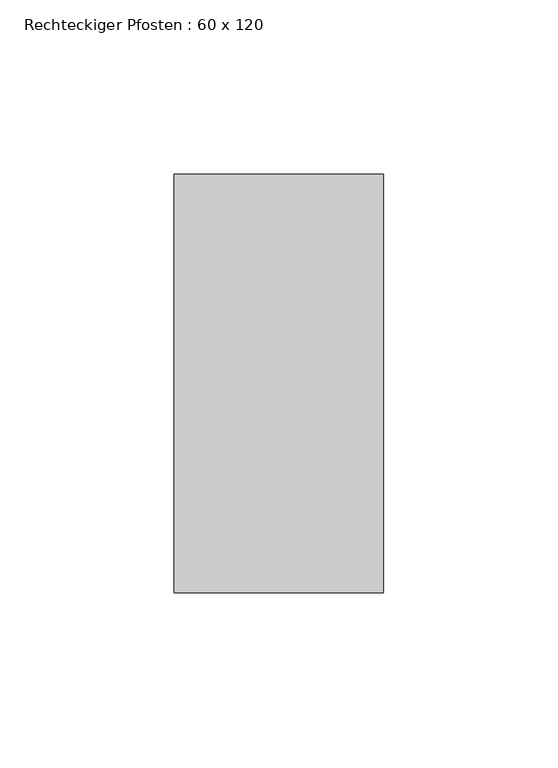
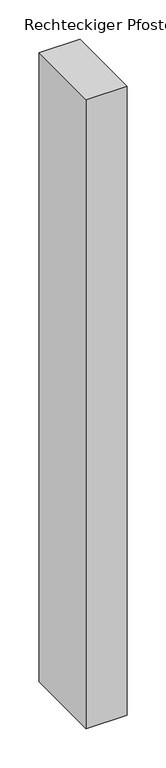
"""IFC4 building model written with IfcOpenShell, lengths in millimetres: member geometry, Rechteckiger Pfosten : 60 x 120."""

from ifc_helpers import new_model, si_unit, frame, origin, place, context, project, spatial, polyline, outline, extrude, source, transform, mapped, element, save


def rechteckiger_pfosten_60_x_120_5073d0b7(model_context):
    return source(origin(), model_context, "Body", "SweptSolid", [
        extrude(outline(polyline([(0.0, 60.0), (0.0, -60.0), (-60.0, -60.0), (-60.0, 60.0), (0.0, 60.0)])), frame((0.0, 0.0, -978.5714288), z_axis=(0.0, 0.0, 1.0), x_axis=(1.0, 0.0, 0.0)), (0.0, 0.0, 1.0), 978.5714288),
    ])


if __name__ == "__main__":
    model = new_model("IFC4")
    model_context = context("Model", 3, world=origin())
    ifc_project = project(units=[si_unit("LENGTHUNIT", "METRE", prefix="MILLI")], contexts=[model_context])
    site = spatial("IfcSite", under=ifc_project)
    building = spatial("IfcBuilding", under=site)
    placement = place(None, origin())
    rechteckiger_pfosten_60_x_120_shape = rechteckiger_pfosten_60_x_120_5073d0b7(model_context)
    element("IfcMember", 1, ObjectType="Rechteckiger Pfosten : 60 x 120", at=placement, inside=building, context=model_context, shape_type="MappedRepresentation", body=[
        mapped(rechteckiger_pfosten_60_x_120_shape, transform((0.0, 0.0, 0.0), x_axis=(1.0, 0.0, 0.0), y_axis=(0.0, 1.0, 0.0), z_axis=(0.0, 0.0, 1.0))),
    ])
    save(model, "model.ifc")
